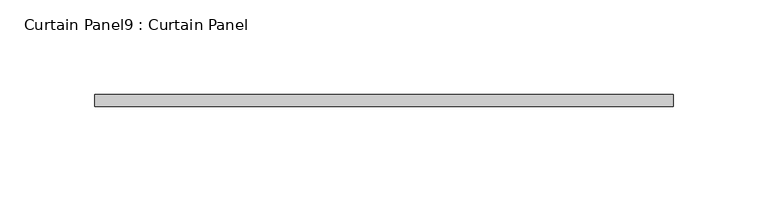
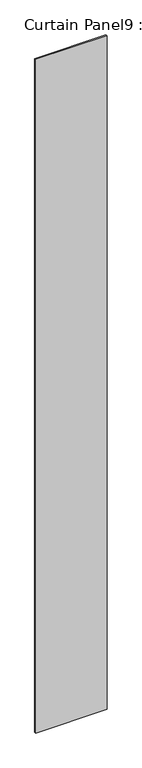
"""IFC4 building model written with IfcOpenShell, lengths in millimetres: plate geometry, Curtain Panel9 : Curtain Panel."""

from ifc_helpers import new_model, si_unit, origin, origin_with_axes, place, context, project, spatial, polyline, outline, extrude, source, transform, mapped, element, save


def curtain_panel9_curtain_panel_a0f08841(model_context):
    return source(origin(), model_context, "Body", "SweptSolid", [
        extrude(outline(polyline([(162670.7819767, 2256.102095), (162976.7264366, 2256.102095), (162976.7264366, 2249.752095), (162670.7819767, 2249.752095), (162670.7819767, 2256.102095)])), origin_with_axes(), (0.0, 0.0, 1.0), 3048.0),
    ])


if __name__ == "__main__":
    model = new_model("IFC4")
    model_context = context("Model", 3, world=origin())
    ifc_project = project(units=[si_unit("LENGTHUNIT", "METRE", prefix="MILLI")], contexts=[model_context])
    site = spatial("IfcSite", under=ifc_project)
    building = spatial("IfcBuilding", under=site)
    placement = place(None, origin())
    curtain_panel9_curtain_panel_shape = curtain_panel9_curtain_panel_a0f08841(model_context)
    element("IfcPlate", 1, ObjectType="Curtain Panel9 : Curtain Panel", at=placement, inside=building, context=model_context, shape_type="MappedRepresentation", body=[
        mapped(curtain_panel9_curtain_panel_shape, transform((0.0, 0.0, 0.0), x_axis=(1.0, 0.0, 0.0), y_axis=(0.0, 1.0, 0.0), z_axis=(0.0, 0.0, 1.0))),
    ])
    save(model, "model.ifc")
